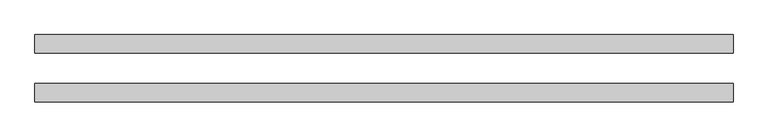
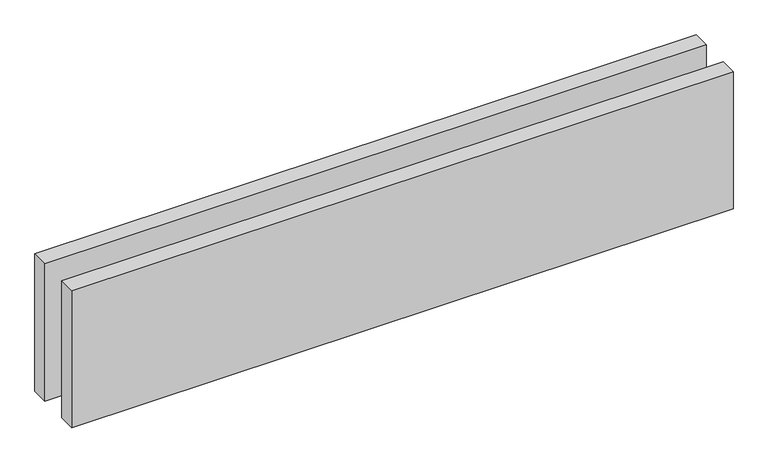
"""IFC4 building model written with IfcOpenShell, lengths in millimetres: proxy geometry."""

from ifc_helpers import new_model, si_unit, origin, origin_with_axes, place, context, project, spatial, polyline, outline, extrude, source, transform, mapped, element, save


def generic_models_3752592b(model_context):
    return source(origin(), model_context, "Body", "SweptSolid", [
        extrude(outline(polyline([(1140.0, 25.0), (0.0, 25.0), (0.0, 55.0), (1140.0, 55.0), (1140.0, 25.0)])), origin_with_axes(), (0.0, 0.0, 1.0), 250.0),
        extrude(outline(polyline([(1140.0, -55.0), (0.0, -55.0), (0.0, -25.0), (1140.0, -25.0), (1140.0, -55.0)])), origin_with_axes(), (0.0, 0.0, 1.0), 250.0),
    ])


if __name__ == "__main__":
    model = new_model("IFC4")
    model_context = context("Model", 3, world=origin())
    ifc_project = project(units=[si_unit("LENGTHUNIT", "METRE", prefix="MILLI")], contexts=[model_context])
    site = spatial("IfcSite", under=ifc_project)
    building = spatial("IfcBuilding", under=site)
    placement = place(None, origin())
    generic_models_shape = generic_models_3752592b(model_context)
    element("IfcBuildingElementProxy", 1, Name="Generic Models", at=placement, inside=building, context=model_context, shape_type="MappedRepresentation", body=[
        mapped(generic_models_shape, transform((0.0, 0.0, 0.0), x_axis=(1.0, 0.0, 0.0), y_axis=(0.0, 1.0, 0.0), z_axis=(0.0, 0.0, 1.0))),
    ])
    save(model, "model.ifc")
